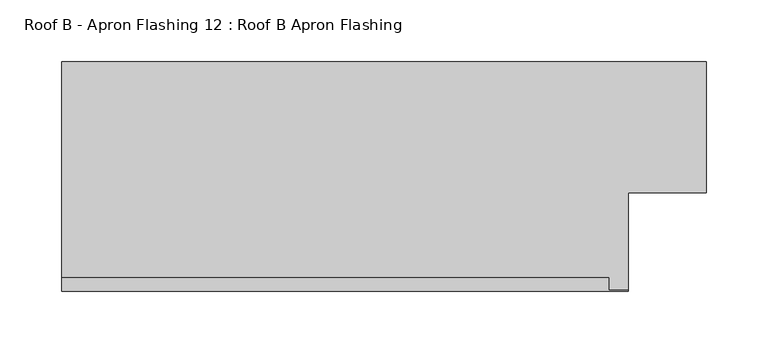
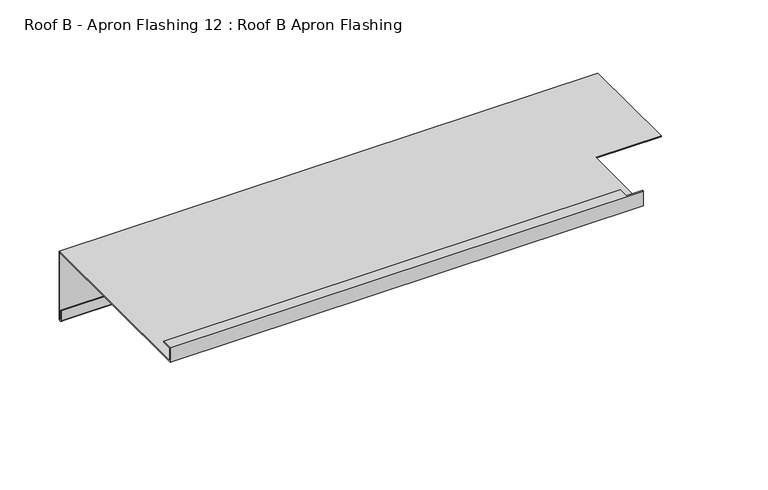
"""IFC4 building model written with IfcOpenShell, lengths in millimetres: proxy geometry, Roof B - Apron Flashing 12 : Roof B Apron Flashing."""

import ifcopenshell
import ifcopenshell.guid

model = None  # the IFC model being written
_history = None  # IfcOwnerHistory: only IFC2X3 demands one
_inside = {}  # id of a spatial element -> (the spatial element, [elements in it])
_under = {}  # id of a project, library or spatial element -> (it, [spatial elements below it])
_declared = {}  # id of a project -> (the project, [libraries it declares])
_typed = {}  # id of a type object -> (the type object, [elements of that type])
_made_of = {}  # id of a material, layer set ... -> (it, [elements and type objects made of it])


def new_model(schema):
    """Start an empty IFC model of exactly this schema.

    Asked for "IFC4X3", IfcOpenShell would pick the latest addendum, in which some entities
    have other attributes; the version numbers below select the first issue.
    IFC2X3 requires an IfcOwnerHistory on every rooted entity: one is made here for all.
    """
    global model, _history
    if schema == "IFC4X3":
        model = ifcopenshell.file(schema_version=(4, 3, 0, 0))
    else:
        model = ifcopenshell.file(schema=schema)
    _inside.clear()
    _under.clear()
    _declared.clear()
    _typed.clear()
    _made_of.clear()
    _history = None
    if model.schema == "IFC2X3":
        org = make("IfcOrganization", Name="unknown")
        user = make(
            "IfcPersonAndOrganization",
            ThePerson=make("IfcPerson", FamilyName="unknown"),
            TheOrganization=org,
        )
        app = make(
            "IfcApplication",
            ApplicationDeveloper=org,
            Version="unknown",
            ApplicationFullName="unknown",
            ApplicationIdentifier="unknown",
        )
        _history = make(
            "IfcOwnerHistory",
            OwningUser=user,
            OwningApplication=app,
            ChangeAction="ADDED",
            CreationDate=0,
        )
    return model


def make(cls, **values):
    """One entity of the class cls with the attributes given. An attribute that is None is left unset."""
    return model.create_entity(
        cls, **{name: value for name, value in values.items() if value is not None}
    )


def rooted(cls, **values):
    """An entity with a GlobalId (a new one), such as an element, a storey or a relation."""
    return make(cls, GlobalId=ifcopenshell.guid.new(), OwnerHistory=_history, **values)


def si_unit(unit_type, name, prefix=None):
    """IfcSIUnit, for example si_unit("LENGTHUNIT", "METRE", prefix="MILLI")."""
    return make("IfcSIUnit", UnitType=unit_type, Prefix=prefix, Name=name)


def assignment(units):
    """IfcUnitAssignment: the units of a project."""
    return None if units is None else make("IfcUnitAssignment", Units=units)


def point(xyz):
    """IfcCartesianPoint."""
    return None if xyz is None else make("IfcCartesianPoint", Coordinates=xyz)


def direction(xyz):
    """IfcDirection."""
    return None if xyz is None else make("IfcDirection", DirectionRatios=xyz)


def frame(location, z_axis=None, x_axis=None):
    """IfcAxis2Placement3D, a coordinate frame: its origin and axes. An axis left out is left unset."""
    return make(
        "IfcAxis2Placement3D",
        Location=point(location),
        Axis=direction(z_axis),
        RefDirection=direction(x_axis),
    )


def origin():
    """The frame at (0, 0, 0) with its axes left unset."""
    return frame((0.0, 0.0, 0.0))


def place(relative_to, where):
    """IfcLocalPlacement: puts the frame where relative to a parent placement (None: the world)."""
    return make(
        "IfcLocalPlacement", PlacementRelTo=relative_to, RelativePlacement=where
    )


def context(
    kind, dimensions, precision=None, world=None, true_north=None, identifier=None
):
    """IfcGeometricRepresentationContext, for example the 3D "Model" context."""
    return make(
        "IfcGeometricRepresentationContext",
        ContextIdentifier=identifier,
        ContextType=kind,
        CoordinateSpaceDimension=dimensions,
        Precision=precision,
        WorldCoordinateSystem=world,
        TrueNorth=true_north,
    )


def project(units=None, contexts=None):
    """IfcProject with its units and contexts."""
    return rooted(
        "IfcProject",
        Name="project",
        RepresentationContexts=contexts,
        UnitsInContext=assignment(units),
    )


def spatial(cls, under=None, at=None, **own):
    """A site, building, storey or space (cls), placed at a placement, below another one or the project."""
    s = rooted(cls, ObjectPlacement=at, **own)
    if under is not None:
        _under.setdefault(under.id(), (under, []))[1].append(s)
    return s


def polyline(points):
    """IfcPolyline through the points."""
    return make("IfcPolyline", Points=[point(p) for p in points])


def circle_curve(where, radius):
    """IfcCircle in the frame where."""
    return make("IfcCircle", Position=where, Radius=radius)


def shape(context_of_items, identifier, shape_type, items):
    """IfcShapeRepresentation: the items that make up one representation, for example the "Body"."""
    return make(
        "IfcShapeRepresentation",
        ContextOfItems=context_of_items,
        RepresentationIdentifier=identifier,
        RepresentationType=shape_type,
        Items=items,
    )


def source(mapping_origin, context_of_items, identifier, shape_type, items):
    """IfcRepresentationMap: a shape defined once, which mapped items show again and again."""
    return make(
        "IfcRepresentationMap",
        MappingOrigin=mapping_origin,
        MappedRepresentation=shape(context_of_items, identifier, shape_type, items),
    )


def transform(
    local_origin,
    x_axis=None,
    y_axis=None,
    z_axis=None,
    scale=None,
    scale2=None,
    scale3=None,
    uniform=True,
):
    """IfcCartesianTransformationOperator3D, or its non-uniform kind. x_axis, y_axis, z_axis: its Axis1, 2, 3."""
    if uniform:
        return make(
            "IfcCartesianTransformationOperator3D",
            Axis1=direction(x_axis),
            Axis2=direction(y_axis),
            LocalOrigin=point(local_origin),
            Scale=scale,
            Axis3=direction(z_axis),
        )
    return make(
        "IfcCartesianTransformationOperator3DnonUniform",
        Axis1=direction(x_axis),
        Axis2=direction(y_axis),
        LocalOrigin=point(local_origin),
        Scale=scale,
        Axis3=direction(z_axis),
        Scale2=scale2,
        Scale3=scale3,
    )


def mapped(mapping_source, mapping_target):
    """IfcMappedItem: shows the shape of a source again, moved by a transform."""
    return make(
        "IfcMappedItem", MappingSource=mapping_source, MappingTarget=mapping_target
    )


def made_of(thing, what):
    """Note that an element or type object is made of a material, layer set ...; save() writes the relation."""
    if what is not None:
        _made_of.setdefault(what.id(), (what, []))[1].append(thing)
    return thing


def element(
    cls,
    number,
    at=None,
    inside=None,
    cuts=None,
    type_object=None,
    material=None,
    context=None,
    identifier="Body",
    shape_type=None,
    held_by="IfcProductDefinitionShape",
    body=None,
    shapes=None,
    **own,
):
    """One element of the class cls, such as IfcWall. Its Tag is "e" and its number.

    at: its placement. inside: the storey or other place that contains it. cuts: it is an
    opening in that element (IfcRelVoidsElement). A single representation is given by context,
    identifier, shape_type and body (its items); several are given by shapes. held_by: the class
    of the entity that holds the representations. save() writes the other relations.
    """
    e = rooted(cls, Tag="e%d" % number, ObjectPlacement=at, **own)
    if body is not None:
        shapes = [shape(context, identifier, shape_type, body)]
    if shapes is not None:
        e.Representation = make(held_by, Representations=shapes)
    if inside is not None:
        _inside.setdefault(inside.id(), (inside, []))[1].append(e)
    if cuts is not None:
        rooted(
            "IfcRelVoidsElement", RelatingBuildingElement=cuts, RelatedOpeningElement=e
        )
    if type_object is not None:
        _typed.setdefault(type_object.id(), (type_object, []))[1].append(e)
    return made_of(e, material)


def aggregate(whole, parts):
    """IfcRelAggregates: a whole, such as a stair, and the parts it consists of."""
    return rooted("IfcRelAggregates", RelatingObject=whole, RelatedObjects=parts)


def save(model, path):
    """Write the relations noted so far, then the file.

    IfcRelAggregates (storeys below a building ...), IfcRelContainedInSpatialStructure (elements
    in a storey), IfcRelDefinesByType, IfcRelAssociatesMaterial and IfcRelDeclares: one each for
    every whole, place, type object, material and project.
    """
    for whole, parts in _under.values():
        aggregate(whole, parts)
    for where, things in _inside.values():
        rooted(
            "IfcRelContainedInSpatialStructure",
            RelatedElements=things,
            RelatingStructure=where,
        )
    for kind, things in _typed.values():
        rooted("IfcRelDefinesByType", RelatedObjects=things, RelatingType=kind)
    for what, things in _made_of.values():
        rooted("IfcRelAssociatesMaterial", RelatedObjects=things, RelatingMaterial=what)
    for by, libraries in _declared.values():
        rooted("IfcRelDeclares", RelatingContext=by, RelatedDefinitions=libraries)
    model.write(path)


def plane_surface(at):
    """IfcPlane: the flat surface through the origin of the frame at, square to its z axis."""
    return make("IfcPlane", Position=at)


def cylinder_surface(at, radius):
    """IfcCylindricalSurface: all points at the distance radius from the z axis of the frame at."""
    return make("IfcCylindricalSurface", Position=at, Radius=radius)


def revolved_surface(curve, axis_point, axis_direction):
    """IfcSurfaceOfRevolution: the curve turned about the line through axis_point along axis_direction."""
    return make(
        "IfcSurfaceOfRevolution",
        SweptCurve=make("IfcArbitraryOpenProfileDef", ProfileType="CURVE", Curve=curve),
        AxisPosition=make("IfcAxis1Placement", Location=point(axis_point), Axis=direction(axis_direction)),
    )


def advanced_brep(points, edges, surfaces, faces):
    """IfcAdvancedBrep: a solid bounded by faces that lie on surfaces and meet in shared edges.

    An edge is (start, end): straight between two places in points (the first is 0);
    or (start, end, curve); or (start, end, curve, False) where it runs against its curve.
    A face is (place in surfaces, loops), or (place, loops, False) where it looks against
    its surface's normal. A loop lists edges by number (the first is 1), with a minus sign
    where the edge is run from its end to its start. The first loop is the outer one.
    """
    corners = [point(p) for p in points]
    vertices = [make("IfcVertexPoint", VertexGeometry=c) for c in corners]
    made = []
    for start, end, *more in edges:
        made.append(
            make(
                "IfcEdgeCurve",
                EdgeStart=vertices[start],
                EdgeEnd=vertices[end],
                EdgeGeometry=more[0] if more else make("IfcPolyline", Points=[corners[start], corners[end]]),
                SameSense=more[1] if len(more) > 1 else True,
            )
        )
    hull = []
    for where, loops, *sense in faces:
        bounds = []
        for j, loop in enumerate(loops):
            ring = [make("IfcOrientedEdge", EdgeElement=made[abs(k) - 1], Orientation=k > 0) for k in loop]
            bounds.append(
                make(
                    "IfcFaceOuterBound" if j == 0 else "IfcFaceBound",
                    Bound=make("IfcEdgeLoop", EdgeList=ring),
                    Orientation=True,
                )
            )
        hull.append(make("IfcAdvancedFace", Bounds=bounds, FaceSurface=surfaces[where], SameSense=sense[0] if sense else True))
    return make("IfcAdvancedBrep", Outer=make("IfcClosedShell", CfsFaces=hull))


def roof_b_apron_flashing_12_roof_b_apron_flashing_53073ad8(model_context):
    return source(origin(), model_context, "Body", "AdvancedBrep", [
        advanced_brep(
        [(12490.7910961, 655.8026399, -986.662203), (12490.7910961, 655.8026399, -1055.0764166), (12490.7910961, 654.8026399, -1055.0764166), (12490.7910961, 654.8026399, -1045.1233066), (12490.7910961, 653.8026399, -1045.1233066), (12490.7910961, 653.8026399, -1055.0764166), (12490.7910961, 656.8026399, -1055.0764166), (12490.7910961, 656.8026399, -985.662203), (12490.7910961, 550.3594915, -985.662203), (12490.7910961, 550.3594915, -986.662203), (11967.4791786, 656.8026399, -985.662203), (11967.4791786, 656.8026399, -1055.0764166), (11967.4791786, 653.8026399, -1055.0764166), (11967.4791786, 653.8026399, -1045.1233066), (11967.4791786, 654.8026399, -1045.1233066), (11967.4791786, 654.8026399, -1055.0764166), (11967.4791786, 655.8026399, -1055.0764166), (11967.4791786, 655.8026399, -986.662203), (11967.4791786, 470.3615096, -986.662203), (11967.4791786, 470.3615096, -971.662203), (11967.4791786, 481.3998223, -971.662203), (11967.4791786, 481.3998223, -972.662203), (11967.4791786, 471.3615096, -972.662203), (11967.4791786, 471.3615096, -985.662203), (12427.4791786, 471.3615096, -985.662203), (12427.4791786, 550.3594915, -985.662203), (12427.4791786, 550.3594915, -986.662203), (12427.4791786, 470.3615096, -986.662203), (12411.3516031, 471.3615096, -972.662203), (12411.3516031, 471.3615096, -971.662203), (12427.4791786, 471.3615096, -971.662203), (12411.3516031, 481.3998223, -972.662203), (12411.3516031, 481.3998223, -971.662203), (12427.4791786, 470.3615096, -971.662203)],
        [
            (0, 1),
            (1, 2, circle_curve(frame((12490.7910961, 655.3026399, -1055.0764166), z_axis=(-1.0, 0.0, 0.0), x_axis=(0.0, 0.0, 1.0)), 0.5)),
            (2, 3),
            (3, 4),
            (4, 5),
            (5, 6, circle_curve(frame((12490.7910961, 655.3026399, -1055.0764166), z_axis=(1.0, 0.0, 0.0), x_axis=(0.0, 0.0, 1.0)), 1.5)),
            (6, 7),
            (7, 8),
            (8, 9),
            (9, 0),
            (10, 11),
            (11, 12, circle_curve(frame((11967.4791786, 655.3026399, -1055.0764166), z_axis=(-1.0, 0.0, 0.0), x_axis=(0.0, 0.0, 1.0)), 1.5)),
            (12, 13),
            (13, 14),
            (14, 15),
            (15, 16, circle_curve(frame((11967.4791786, 655.3026399, -1055.0764166), z_axis=(1.0, 0.0, 0.0), x_axis=(0.0, 0.0, 1.0)), 0.5)),
            (16, 17),
            (17, 18),
            (18, 19),
            (19, 20),
            (20, 21),
            (21, 22),
            (22, 23),
            (23, 10),
            (23, 24),
            (24, 25),
            (25, 8),
            (7, 10),
            (17, 0),
            (9, 26),
            (26, 27),
            (27, 18),
            (16, 1),
            (6, 11),
            (22, 28),
            (28, 29),
            (29, 30),
            (30, 24),
            (21, 31),
            (31, 28),
            (20, 32),
            (32, 31),
            (19, 33),
            (33, 30),
            (29, 32),
            (27, 33),
            (15, 2),
            (14, 3),
            (13, 4),
            (12, 5),
            (26, 25),
        ],
        [
            plane_surface(frame((12490.7910961, 462.3294164, -1042.7388515), z_axis=(1.0, 0.0, 0.0), x_axis=(0.0, 1.0, 0.0))),
            plane_surface(frame((11967.4791786, 462.3294164, -1042.7388515), z_axis=(-1.0, 0.0, 0.0), x_axis=(0.0, 1.0, 0.0))),
            plane_surface(frame((12490.7910961, 656.8026399, -985.662203), z_axis=(0.0, 0.0, 1.0), x_axis=(-1.0, 0.0, 0.0))),
            plane_surface(frame((12490.7910961, 470.3615096, -986.662203), z_axis=(0.0, 0.0, -1.0), x_axis=(-1.0, 0.0, 0.0))),
            plane_surface(frame((12490.7910961, 655.8026399, -986.662203), z_axis=(0.0, -1.0, 0.0), x_axis=(-1.0, 0.0, 0.0))),
            plane_surface(frame((12490.7910961, 656.8026399, -1055.0764166), z_axis=(0.0, 1.0, 0.0), x_axis=(-1.0, 0.0, 0.0))),
            plane_surface(frame((12490.7910961, 471.3615096, -985.662203), z_axis=(0.0, 1.0, 0.0), x_axis=(-1.0, 0.0, 0.0))),
            plane_surface(frame((12490.7910961, 471.3615096, -972.662203), z_axis=(0.0, 0.0, -1.0), x_axis=(-1.0, 0.0, 0.0))),
            plane_surface(frame((12490.7910961, 481.3998223, -972.662203), z_axis=(0.0, 1.0, 0.0), x_axis=(-1.0, 0.0, 0.0))),
            plane_surface(frame((12490.7910961, 481.3998223, -971.662203), z_axis=(0.0, 0.0, 1.0), x_axis=(-1.0, 0.0, 0.0))),
            plane_surface(frame((12490.7910961, 470.3615096, -971.662203), z_axis=(0.0, -1.0, 0.0), x_axis=(-1.0, 0.0, 0.0))),
            revolved_surface(polyline([(11967.4791786, 655.3026399, -1054.5764166), (12490.7910961, 655.3026399, -1054.5764166)]), (12490.7910961, 655.3026399, -1055.0764166), (-1.0, 0.0, 0.0)),
            plane_surface(frame((12490.7910961, 654.8026399, -1055.0764166), z_axis=(0.0, 1.0, 0.0), x_axis=(-1.0, 0.0, 0.0))),
            plane_surface(frame((12490.7910961, 654.8026399, -1045.1233066), z_axis=(0.0, 0.0, 1.0), x_axis=(-1.0, 0.0, 0.0))),
            plane_surface(frame((12490.7910961, 653.8026399, -1045.1233066), z_axis=(0.0, -1.0, 0.0), x_axis=(-1.0, 0.0, 0.0))),
            cylinder_surface(frame((12490.7910961, 655.3026399, -1055.0764166), z_axis=(1.0, 0.0, 0.0), x_axis=(0.0, 0.0, 1.0)), 1.5),
            plane_surface(frame((12427.4791786, 550.3594915, -1079.9089722), z_axis=(1.0, 0.0, 0.0), x_axis=(0.0, -0.9659258262890683, 0.25881904510252074))),
            plane_surface(frame((12427.4791786, 550.3594915, -852.4830665), z_axis=(0.0, -1.0, 0.0), x_axis=(1.0, 0.0, 0.0))),
            plane_surface(frame((12411.3516031, 471.3615603, -884.3834078), z_axis=(1.0, 0.0, 0.0), x_axis=(0.0, 0.0, -1.0))),
        ],
        [
            (0, [[1, 2, 3, 4, 5, 6, 7, 8, 9, 10]]),
            (1, [[11, 12, 13, 14, 15, 16, 17, 18, 19, 20, 21, 22, 23, 24]]),
            (2, [[-24, 25, 26, 27, -8, 28]]),
            (3, [[-18, 29, -10, 30, 31, 32]]),
            (4, [[-1, -29, -17, 33]]),
            (5, [[-7, 34, -11, -28]]),
            (6, [[-23, 35, 36, 37, 38, -25]]),
            (7, [[-22, 39, 40, -35]]),
            (8, [[-21, 41, 42, -39]]),
            (9, [[-20, 43, 44, -37, 45, -41]]),
            (10, [[-19, -32, 46, -43]]),
            (11, [[-2, -33, -16, 47]]),
            (12, [[-3, -47, -15, 48]]),
            (13, [[-4, -48, -14, 49]]),
            (14, [[-5, -49, -13, 50]]),
            (15, [[-6, -50, -12, -34]]),
            (16, [[51, -26, -38, -44, -46, -31]]),
            (17, [[-51, -30, -9, -27]]),
            (18, [[-36, -40, -42, -45]]),
        ],
    ),
    ])


if __name__ == "__main__":
    model = new_model("IFC4")
    model_context = context("Model", 3, world=origin())
    ifc_project = project(units=[si_unit("LENGTHUNIT", "METRE", prefix="MILLI")], contexts=[model_context])
    site = spatial("IfcSite", under=ifc_project)
    building = spatial("IfcBuilding", under=site)
    placement = place(None, origin())
    roof_b_apron_flashing_12_roof_b_apron_flashing_shape = roof_b_apron_flashing_12_roof_b_apron_flashing_53073ad8(model_context)
    element("IfcBuildingElementProxy", 1, Name="Roof B - Apron Flashing 12 : Roof B Apron Flashing", ObjectType="Roof B - Apron Flashing 12 : Roof B Apron Flashing", at=placement, inside=building, context=model_context, shape_type="MappedRepresentation", body=[
        mapped(roof_b_apron_flashing_12_roof_b_apron_flashing_shape, transform((0.0, 0.0, 0.0), x_axis=(1.0, 0.0, 0.0), y_axis=(0.0, 1.0, 0.0), z_axis=(0.0, 0.0, 1.0))),
    ])
    save(model, "model.ifc")
